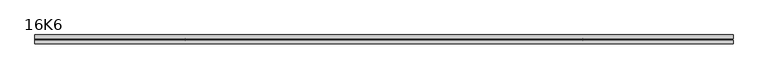
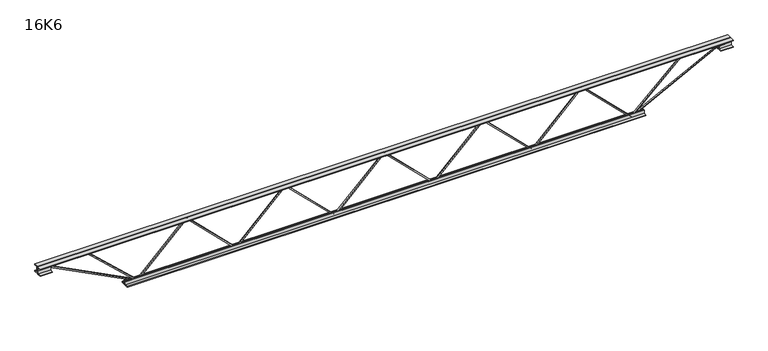
"""IFC4 building model written with IfcOpenShell, lengths in millimetres: beam geometry, 16K6."""

from ifc_helpers import new_model, si_unit, frame, origin, place, context, project, spatial, polyline, outline, extrude, source, transform, mapped, element, save


def beam_16k6_6fde3a64(model_context):
    return source(origin(), model_context, "Body", "SweptSolid", [
        extrude(outline(polyline([(-191.9, 403.65), (-201.4, 403.65), (-201.4, 408.7775782), (191.9, 806.3275782), (191.9, 808.7724218), (-201.4, 1206.3224218), (-201.4, 1211.45), (-191.9, 1211.45), (-191.9, 1210.2275782), (201.4, 812.6775782), (201.4, 802.4224218), (-191.9, 404.8724218), (-191.9, 403.65)])), frame((0.0, -4.75, 0.0), z_axis=(0.0, 1.0, 0.0), x_axis=(0.0, 0.0, 1.0)), (0.0, 0.0, 1.0), 9.5),
        extrude(outline(polyline([(-191.9, -403.9), (-201.4, -403.9), (-201.4, -398.7724218), (191.9, -1.2224218), (191.9, 1.2224218), (-201.4, 398.7724218), (-201.4, 403.9), (-191.9, 403.9), (-191.9, 402.6775782), (201.4, 5.1275782), (201.4, -5.1275782), (-191.9, -402.6775782), (-191.9, -403.9)])), frame((0.0, -4.75, 0.0), z_axis=(0.0, 1.0, 0.0), x_axis=(0.0, 0.0, 1.0)), (0.0, 0.0, 1.0), 9.5),
        extrude(outline(polyline([(-191.9, -1211.45), (-201.4, -1211.45), (-201.4, -1206.3224218), (191.9, -808.7724218), (191.9, -806.3275782), (-201.4, -408.7775782), (-201.4, -403.65), (-191.9, -403.65), (-191.9, -404.8724218), (201.4, -802.4224218), (201.4, -812.6775782), (-191.9, -1210.2275782), (-191.9, -1211.45)])), frame((0.0, -4.75, 0.0), z_axis=(0.0, 1.0, 0.0), x_axis=(0.0, 0.0, 1.0)), (0.0, 0.0, 1.0), 9.5),
        extrude(outline(polyline([(-191.9, 1211.2), (-201.4, 1211.2), (-201.4, 1216.3275782), (191.9, 1613.8775782), (191.9, 1616.3224218), (-201.4, 2013.8724218), (-201.4, 2019.0), (-191.9, 2019.0), (-191.9, 2017.7775782), (201.4, 1620.2275782), (201.4, 1609.9724218), (-191.9, 1212.4224218), (-191.9, 1211.2)])), frame((0.0, -4.75, 0.0), z_axis=(0.0, 1.0, 0.0), x_axis=(0.0, 0.0, 1.0)), (0.0, 0.0, 1.0), 9.5),
        extrude(outline(polyline([(-191.9, -2019.0), (-201.4, -2019.0), (-201.4, -2013.8724218), (191.9, -1616.3224218), (191.9, -1613.8775782), (-201.4, -1216.3275782), (-201.4, -1211.2), (-191.9, -1211.2), (-191.9, -1212.4224218), (201.4, -1609.9724218), (201.4, -1620.2275782), (-191.9, -2017.7775782), (-191.9, -2019.0)])), frame((0.0, -4.75, 0.0), z_axis=(0.0, 1.0, 0.0), x_axis=(0.0, 0.0, 1.0)), (0.0, 0.0, 1.0), 9.5),
        extrude(outline(polyline([(4.75, 203.0), (36.75, 203.0), (36.75, 196.5), (11.25, 196.5), (11.25, 171.0), (4.75, 171.0), (4.75, 203.0)])), frame((-2831.0, 0.0, 0.0), z_axis=(1.0, 0.0, 0.0), x_axis=(0.0, 1.0, 0.0)), (0.0, 0.0, 1.0), 5662.0),
        extrude(outline(polyline([(-4.75, 203.0), (-4.75, 171.0), (-11.25, 171.0), (-11.25, 196.5), (-36.75, 196.5), (-36.75, 203.0), (-4.75, 203.0)])), frame((-2831.0, 0.0, 0.0), z_axis=(1.0, 0.0, 0.0), x_axis=(0.0, 1.0, 0.0)), (0.0, 0.0, 1.0), 5662.0),
        extrude(outline(polyline([(-4.75, 139.5), (-36.75, 139.5), (-36.75, 146.0), (-11.25, 146.0), (-11.25, 171.0), (-4.75, 171.0), (-4.75, 139.5)])), frame((-2831.0, 0.0, 0.0), z_axis=(1.0, 0.0, 0.0), x_axis=(0.0, 1.0, 0.0)), (0.0, 0.0, 1.0), 100.0),
        extrude(outline(polyline([(36.75, 139.5), (4.75, 139.5), (4.75, 171.0), (11.25, 171.0), (11.25, 146.0), (36.75, 146.0), (36.75, 139.5)])), frame((-2831.0, 0.0, 0.0), z_axis=(1.0, 0.0, 0.0), x_axis=(0.0, 1.0, 0.0)), (0.0, 0.0, 1.0), 100.0),
        extrude(outline(polyline([(4.75, 139.5), (4.75, 171.0), (11.25, 171.0), (11.25, 146.0), (36.75, 146.0), (36.75, 139.5), (4.75, 139.5)])), frame((2731.0, 0.0, 0.0), z_axis=(1.0, 0.0, 0.0), x_axis=(0.0, 1.0, 0.0)), (0.0, 0.0, 1.0), 100.0),
        extrude(outline(polyline([(-4.75, 139.5), (-36.75, 139.5), (-36.75, 146.0), (-11.25, 146.0), (-11.25, 171.0), (-4.75, 171.0), (-4.75, 139.5)])), frame((2731.0, 0.0, 0.0), z_axis=(1.0, 0.0, 0.0), x_axis=(0.0, 1.0, 0.0)), (0.0, 0.0, 1.0), 100.0),
        extrude(outline(polyline([(4.75, -203.0), (4.75, -171.0), (11.25, -171.0), (11.25, -196.5), (36.75, -196.5), (36.75, -203.0), (4.75, -203.0)])), frame((-2119.0, 0.0, 0.0), z_axis=(1.0, 0.0, 0.0), x_axis=(0.0, 1.0, 0.0)), (0.0, 0.0, 1.0), 4238.0),
        extrude(outline(polyline([(-4.75, -203.0), (-36.75, -203.0), (-36.75, -196.5), (-11.25, -196.5), (-11.25, -171.0), (-4.75, -171.0), (-4.75, -203.0)])), frame((-2119.0, 0.0, 0.0), z_axis=(1.0, 0.0, 0.0), x_axis=(0.0, 1.0, 0.0)), (0.0, 0.0, 1.0), 4238.0),
        extrude(outline(polyline([(-200.8705467, -2021.1793315), (-192.4294533, -2016.8206685), (175.75, -2729.8460208), (175.75, -2831.0), (166.25, -2831.0), (166.25, -2732.1539792), (-200.8705467, -2021.1793315)])), frame((0.0, -4.75, 0.0), z_axis=(0.0, 1.0, 0.0), x_axis=(0.0, 0.0, 1.0)), (0.0, 0.0, 1.0), 9.5),
        extrude(outline(polyline([(188.7, -2442.8571429), (179.2, -2442.8571429), (179.2, -2432.0181607), (-200.1357903, -2022.2267268), (-193.1642097, -2015.7732732), (188.7, -2428.296125), (188.7, -2442.8571429)])), frame((0.0, -4.75, 0.0), z_axis=(0.0, 1.0, 0.0), x_axis=(0.0, 0.0, 1.0)), (0.0, 0.0, 1.0), 9.5),
        extrude(outline(polyline([(0.0, -9.5), (0.0, 0.0), (801.3179909, 0.0), (801.3179909, -9.5), (0.0, -9.5)])), frame((2733.1793315, -4.75, 166.7794533), z_axis=(-0.4588066213244955, 0.0, 0.8885361468329812), x_axis=(-0.8885361468329812, 0.0, -0.4588066213244955)), (0.0, 0.0, 1.0), 9.5),
        extrude(outline(polyline([(0.0, -9.5), (0.0, 0.0), (574.2433322, 0.0), (574.2433322, -9.5), (0.0, -9.5)])), frame((2440.6675669, -4.75, 193.1889797), z_axis=(-0.684901291835485, 0.0, 0.7286358627202506), x_axis=(-0.7286358627202506, 0.0, -0.684901291835485)), (0.0, 0.0, 1.0), 9.5),
    ])


if __name__ == "__main__":
    model = new_model("IFC4")
    model_context = context("Model", 3, world=origin())
    ifc_project = project(units=[si_unit("LENGTHUNIT", "METRE", prefix="MILLI")], contexts=[model_context])
    site = spatial("IfcSite", under=ifc_project)
    building = spatial("IfcBuilding", under=site)
    placement = place(None, origin())
    beam_16k6_shape = beam_16k6_6fde3a64(model_context)
    element("IfcBeam", 1, ObjectType="16K6", at=placement, inside=building, context=model_context, shape_type="MappedRepresentation", body=[
        mapped(beam_16k6_shape, transform((0.0, 0.0, 0.0), x_axis=(1.0, 0.0, 0.0), y_axis=(0.0, 1.0, 0.0), z_axis=(0.0, 0.0, 1.0))),
    ])
    save(model, "model.ifc")
